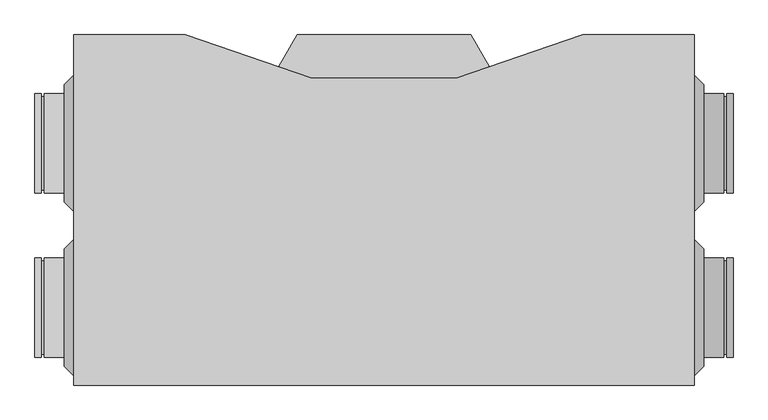
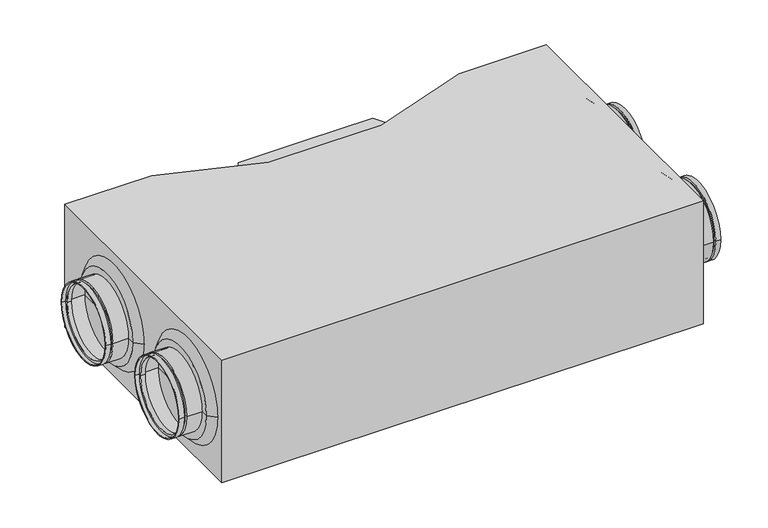
"""IFC4 building model written with IfcOpenShell, lengths in millimetres: proxy geometry."""

from ifc_helpers import new_model, si_unit, frame, origin, origin_with_axes, place, context, project, spatial, polyline, circle_curve, outline, extrude, source, transform, mapped, element, save
from ifc_brep_helpers import plane_surface, cylinder_surface, revolved_surface, advanced_brep


def mechanical_equipment_ce248c19(model_context):
    return source(origin(), model_context, "Body", "SolidModel", [
        advanced_brep(
        [(-552.5, -77.5, 135.0), (-552.5, -237.5, 135.0), (-562.5, -237.5, 135.0), (-562.5, -77.5, 135.0), (-552.5, -82.5, 135.0), (-552.5, -232.5, 135.0), (-547.5, -82.5, 135.0), (-547.5, -232.5, 135.0), (-547.5, -77.5, 135.0), (-547.5, -237.5, 135.0), (-515.0, -77.5, 135.0), (-515.0, -237.5, 135.0), (-515.0, -79.5, 135.0), (-515.0, -235.5, 135.0), (-545.5, -79.5, 135.0), (-545.5, -235.5, 135.0), (-545.5, -84.5, 135.0), (-545.5, -230.5, 135.0), (-554.5, -84.5, 135.0), (-554.5, -230.5, 135.0), (-554.5, -79.5, 135.0), (-554.5, -235.5, 135.0), (-562.5, -79.5, 135.0), (-562.5, -235.5, 135.0)],
        [
            (0, 1, circle_curve(frame((-552.5, -157.5, 135.0), z_axis=(-1.0, 0.0, 0.0), x_axis=(0.0, -1.0, 0.0)), 80.0)),
            (1, 2),
            (2, 3, circle_curve(frame((-562.5, -157.5, 135.0), z_axis=(1.0, 0.0, 0.0), x_axis=(0.0, -1.0, 0.0)), 80.0)),
            (3, 0),
            (1, 0, circle_curve(frame((-552.5, -157.5, 135.0), z_axis=(-1.0, 0.0, 0.0), x_axis=(0.0, -1.0, 0.0)), 80.0)),
            (3, 2, circle_curve(frame((-562.5, -157.5, 135.0), z_axis=(1.0, 0.0, 0.0), x_axis=(0.0, -1.0, 0.0)), 80.0)),
            (4, 5, circle_curve(frame((-552.5, -157.5, 135.0), z_axis=(-1.0, 0.0, 0.0), x_axis=(0.0, -1.0, 0.0)), 75.0)),
            (5, 1),
            (0, 4),
            (5, 4, circle_curve(frame((-552.5, -157.5, 135.0), z_axis=(-1.0, 0.0, 0.0), x_axis=(0.0, -1.0, 0.0)), 75.0)),
            (6, 7, circle_curve(frame((-547.5, -157.5, 135.0), z_axis=(-1.0, 0.0, 0.0), x_axis=(0.0, -1.0, 0.0)), 75.0)),
            (7, 5),
            (4, 6),
            (7, 6, circle_curve(frame((-547.5, -157.5, 135.0), z_axis=(-1.0, 0.0, 0.0), x_axis=(0.0, -1.0, 0.0)), 75.0)),
            (8, 9, circle_curve(frame((-547.5, -157.5, 135.0), z_axis=(-1.0, 0.0, 0.0), x_axis=(0.0, -1.0, 0.0)), 80.0)),
            (9, 7),
            (6, 8),
            (9, 8, circle_curve(frame((-547.5, -157.5, 135.0), z_axis=(-1.0, 0.0, 0.0), x_axis=(0.0, -1.0, 0.0)), 80.0)),
            (10, 11, circle_curve(frame((-515.0, -157.5, 135.0), z_axis=(-1.0, 0.0, 0.0), x_axis=(0.0, -1.0, 0.0)), 80.0)),
            (11, 9),
            (8, 10),
            (11, 10, circle_curve(frame((-515.0, -157.5, 135.0), z_axis=(-1.0, 0.0, 0.0), x_axis=(0.0, -1.0, 0.0)), 80.0)),
            (12, 13, circle_curve(frame((-515.0, -157.5, 135.0), z_axis=(-1.0, 0.0, 0.0), x_axis=(0.0, -1.0, 0.0)), 78.0)),
            (13, 11),
            (10, 12),
            (13, 12, circle_curve(frame((-515.0, -157.5, 135.0), z_axis=(-1.0, 0.0, 0.0), x_axis=(0.0, -1.0, 0.0)), 78.0)),
            (14, 15, circle_curve(frame((-545.5, -157.5, 135.0), z_axis=(-1.0, 0.0, 0.0), x_axis=(0.0, -1.0, 0.0)), 78.0)),
            (15, 13),
            (12, 14),
            (15, 14, circle_curve(frame((-545.5, -157.5, 135.0), z_axis=(-1.0, 0.0, 0.0), x_axis=(0.0, -1.0, 0.0)), 78.0)),
            (16, 17, circle_curve(frame((-545.5, -157.5, 135.0), z_axis=(-1.0, 0.0, 0.0), x_axis=(0.0, -1.0, 0.0)), 73.0)),
            (17, 15),
            (14, 16),
            (17, 16, circle_curve(frame((-545.5, -157.5, 135.0), z_axis=(-1.0, 0.0, 0.0), x_axis=(0.0, -1.0, 0.0)), 73.0)),
            (18, 19, circle_curve(frame((-554.5, -157.5, 135.0), z_axis=(-1.0, 0.0, 0.0), x_axis=(0.0, -1.0, 0.0)), 73.0)),
            (19, 17),
            (16, 18),
            (19, 18, circle_curve(frame((-554.5, -157.5, 135.0), z_axis=(-1.0, 0.0, 0.0), x_axis=(0.0, -1.0, 0.0)), 73.0)),
            (20, 21, circle_curve(frame((-554.5, -157.5, 135.0), z_axis=(-1.0, 0.0, 0.0), x_axis=(0.0, -1.0, 0.0)), 78.0)),
            (21, 19),
            (18, 20),
            (21, 20, circle_curve(frame((-554.5, -157.5, 135.0), z_axis=(-1.0, 0.0, 0.0), x_axis=(0.0, -1.0, 0.0)), 78.0)),
            (22, 23, circle_curve(frame((-562.5, -157.5, 135.0), z_axis=(-1.0, 0.0, 0.0), x_axis=(0.0, -1.0, 0.0)), 78.0)),
            (23, 21),
            (20, 22),
            (23, 22, circle_curve(frame((-562.5, -157.5, 135.0), z_axis=(-1.0, 0.0, 0.0), x_axis=(0.0, -1.0, 0.0)), 78.0)),
            (2, 23),
            (22, 3),
        ],
        [
            cylinder_surface(frame((-2097.5440172, -157.5, 135.0), z_axis=(1.0, 0.0, 0.0), x_axis=(0.0, -1.0, 0.0)), 80.0),
            plane_surface(frame((-552.5, -157.5, 135.0), z_axis=(1.0, 0.0, 0.0), x_axis=(0.0, -1.0, 0.0))),
            cylinder_surface(frame((-2097.5440172, -157.5, 135.0), z_axis=(1.0, 0.0, 0.0), x_axis=(0.0, -1.0, 0.0)), 75.0),
            plane_surface(frame((-547.5, -157.5, 135.0), z_axis=(-1.0, 0.0, 0.0), x_axis=(0.0, -1.0, 0.0))),
            plane_surface(frame((-515.0, -157.5, 135.0), z_axis=(1.0, 0.0, 0.0), x_axis=(0.0, -1.0, 0.0))),
            revolved_surface(polyline([(-515.0, -235.5, 135.0), (-545.5, -235.5, 135.0)]), (-2097.5440172, -157.5, 135.0), (1.0, 0.0, 0.0)),
            plane_surface(frame((-545.5, -157.5, 135.0), z_axis=(1.0, 0.0, 0.0), x_axis=(0.0, -1.0, 0.0))),
            revolved_surface(polyline([(-545.5, -230.5, 135.0), (-554.5, -230.5, 135.0)]), (-2097.5440172, -157.5, 135.0), (1.0, 0.0, 0.0)),
            plane_surface(frame((-554.5, -157.5, 135.0), z_axis=(-1.0, 0.0, 0.0), x_axis=(0.0, -1.0, 0.0))),
            revolved_surface(polyline([(-554.5, -235.5, 135.0), (-562.5, -235.5, 135.0)]), (-2097.5440172, -157.5, 135.0), (1.0, 0.0, 0.0)),
            plane_surface(frame((-562.5, -157.5, 135.0), z_axis=(-1.0, 0.0, 0.0), x_axis=(0.0, -1.0, 0.0))),
        ],
        [
            (0, [[1, 2, 3, 4]]),
            (0, [[5, -4, 6, -2]]),
            (1, [[7, 8, -1, 9]]),
            (1, [[10, -9, -5, -8]]),
            (2, [[11, 12, -7, 13]]),
            (2, [[14, -13, -10, -12]]),
            (3, [[15, 16, -11, 17]]),
            (3, [[18, -17, -14, -16]]),
            (0, [[19, 20, -15, 21]]),
            (0, [[22, -21, -18, -20]]),
            (4, [[23, 24, -19, 25]]),
            (4, [[26, -25, -22, -24]]),
            (5, [[27, 28, -23, 29]]),
            (5, [[30, -29, -26, -28]]),
            (6, [[31, 32, -27, 33]]),
            (6, [[34, -33, -30, -32]]),
            (7, [[35, 36, -31, 37]]),
            (7, [[38, -37, -34, -36]]),
            (8, [[39, 40, -35, 41]]),
            (8, [[42, -41, -38, -40]]),
            (9, [[43, 44, -39, 45]]),
            (9, [[46, -45, -42, -44]]),
            (10, [[-3, 47, -43, 48]]),
            (10, [[-6, -48, -46, -47]]),
        ],
    ),
        advanced_brep(
        [(-552.5, 187.5, 135.0), (-552.5, 27.5, 135.0), (-562.5, 27.5, 135.0), (-562.5, 187.5, 135.0), (-552.5, 182.5, 135.0), (-552.5, 32.5, 135.0), (-547.5, 182.5, 135.0), (-547.5, 32.5, 135.0), (-547.5, 187.5, 135.0), (-547.5, 27.5, 135.0), (-515.0, 187.5, 135.0), (-515.0, 27.5, 135.0), (-515.0, 185.5, 135.0), (-515.0, 29.5, 135.0), (-545.5, 185.5, 135.0), (-545.5, 29.5, 135.0), (-545.5, 180.5, 135.0), (-545.5, 34.5, 135.0), (-554.5, 180.5, 135.0), (-554.5, 34.5, 135.0), (-554.5, 185.5, 135.0), (-554.5, 29.5, 135.0), (-562.5, 185.5, 135.0), (-562.5, 29.5, 135.0)],
        [
            (0, 1, circle_curve(frame((-552.5, 107.5, 135.0), z_axis=(-1.0, 0.0, 0.0), x_axis=(0.0, -1.0000000000000009, 0.0)), 80.0)),
            (1, 2),
            (2, 3, circle_curve(frame((-562.5, 107.5, 135.0), z_axis=(1.0, 0.0, 0.0), x_axis=(0.0, -1.0000000000000009, 0.0)), 80.0)),
            (3, 0),
            (1, 0, circle_curve(frame((-552.5, 107.5, 135.0), z_axis=(-1.0, 0.0, 0.0), x_axis=(0.0, -1.0000000000000009, 0.0)), 80.0)),
            (3, 2, circle_curve(frame((-562.5, 107.5, 135.0), z_axis=(1.0, 0.0, 0.0), x_axis=(0.0, -1.0000000000000009, 0.0)), 80.0)),
            (4, 5, circle_curve(frame((-552.5, 107.5, 135.0), z_axis=(-1.0, 0.0, 0.0), x_axis=(0.0, -1.0000000000000009, 0.0)), 75.0)),
            (5, 1),
            (0, 4),
            (5, 4, circle_curve(frame((-552.5, 107.5, 135.0), z_axis=(-1.0, 0.0, 0.0), x_axis=(0.0, -1.0000000000000009, 0.0)), 75.0)),
            (6, 7, circle_curve(frame((-547.5, 107.5, 135.0), z_axis=(-1.0, 0.0, 0.0), x_axis=(0.0, -1.0000000000000009, 0.0)), 75.0)),
            (7, 5),
            (4, 6),
            (7, 6, circle_curve(frame((-547.5, 107.5, 135.0), z_axis=(-1.0, 0.0, 0.0), x_axis=(0.0, -1.0000000000000009, 0.0)), 75.0)),
            (8, 9, circle_curve(frame((-547.5, 107.5, 135.0), z_axis=(-1.0, 0.0, 0.0), x_axis=(0.0, -1.0000000000000009, 0.0)), 80.0)),
            (9, 7),
            (6, 8),
            (9, 8, circle_curve(frame((-547.5, 107.5, 135.0), z_axis=(-1.0, 0.0, 0.0), x_axis=(0.0, -1.0000000000000009, 0.0)), 80.0)),
            (10, 11, circle_curve(frame((-515.0, 107.5, 135.0), z_axis=(-1.0, 0.0, 0.0), x_axis=(0.0, -1.0000000000000009, 0.0)), 80.0)),
            (11, 9),
            (8, 10),
            (11, 10, circle_curve(frame((-515.0, 107.5, 135.0), z_axis=(-1.0, 0.0, 0.0), x_axis=(0.0, -1.0000000000000009, 0.0)), 80.0)),
            (12, 13, circle_curve(frame((-515.0, 107.5, 135.0), z_axis=(-1.0, 0.0, 0.0), x_axis=(0.0, -1.0000000000000009, 0.0)), 78.0)),
            (13, 11),
            (10, 12),
            (13, 12, circle_curve(frame((-515.0, 107.5, 135.0), z_axis=(-1.0, 0.0, 0.0), x_axis=(0.0, -1.0000000000000009, 0.0)), 78.0)),
            (14, 15, circle_curve(frame((-545.5, 107.5, 135.0), z_axis=(-1.0, 0.0, 0.0), x_axis=(0.0, -1.0000000000000009, 0.0)), 78.0)),
            (15, 13),
            (12, 14),
            (15, 14, circle_curve(frame((-545.5, 107.5, 135.0), z_axis=(-1.0, 0.0, 0.0), x_axis=(0.0, -1.0000000000000009, 0.0)), 78.0)),
            (16, 17, circle_curve(frame((-545.5, 107.5, 135.0), z_axis=(-1.0, 0.0, 0.0), x_axis=(0.0, -1.0000000000000009, 0.0)), 73.0)),
            (17, 15),
            (14, 16),
            (17, 16, circle_curve(frame((-545.5, 107.5, 135.0), z_axis=(-1.0, 0.0, 0.0), x_axis=(0.0, -1.0000000000000009, 0.0)), 73.0)),
            (18, 19, circle_curve(frame((-554.5, 107.5, 135.0), z_axis=(-1.0, 0.0, 0.0), x_axis=(0.0, -1.0000000000000009, 0.0)), 73.0)),
            (19, 17),
            (16, 18),
            (19, 18, circle_curve(frame((-554.5, 107.5, 135.0), z_axis=(-1.0, 0.0, 0.0), x_axis=(0.0, -1.0000000000000009, 0.0)), 73.0)),
            (20, 21, circle_curve(frame((-554.5, 107.5, 135.0), z_axis=(-1.0, 0.0, 0.0), x_axis=(0.0, -1.0000000000000009, 0.0)), 78.0)),
            (21, 19),
            (18, 20),
            (21, 20, circle_curve(frame((-554.5, 107.5, 135.0), z_axis=(-1.0, 0.0, 0.0), x_axis=(0.0, -1.0000000000000009, 0.0)), 78.0)),
            (22, 23, circle_curve(frame((-562.5, 107.5, 135.0), z_axis=(-1.0, 0.0, 0.0), x_axis=(0.0, -1.0000000000000009, 0.0)), 78.0)),
            (23, 21),
            (20, 22),
            (23, 22, circle_curve(frame((-562.5, 107.5, 135.0), z_axis=(-1.0, 0.0, 0.0), x_axis=(0.0, -1.0000000000000009, 0.0)), 78.0)),
            (2, 23),
            (22, 3),
        ],
        [
            cylinder_surface(frame((-2097.5440172, 107.5, 135.0), z_axis=(1.0000000000000004, 0.0, 0.0), x_axis=(0.0, -1.0000000000000009, 0.0)), 80.0),
            plane_surface(frame((-552.5, 107.5, 135.0), z_axis=(1.0, 0.0, 0.0), x_axis=(0.0, -1.0, 0.0))),
            cylinder_surface(frame((-2097.5440172, 107.5, 135.0), z_axis=(1.0000000000000004, 0.0, 0.0), x_axis=(0.0, -1.0000000000000009, 0.0)), 75.0),
            plane_surface(frame((-547.5, 107.5, 135.0), z_axis=(-1.0, 0.0, 0.0), x_axis=(0.0, -1.0, 0.0))),
            plane_surface(frame((-515.0, 107.5, 135.0), z_axis=(1.0, 0.0, 0.0), x_axis=(0.0, -1.0, 0.0))),
            revolved_surface(polyline([(-514.9999999999986, 29.49999999999993, 135.0), (-545.4999999999986, 29.49999999999993, 135.0)]), (-2097.5440172, 107.5, 135.0), (1.0000000000000004, 0.0, 0.0)),
            plane_surface(frame((-545.5, 107.5, 135.0), z_axis=(1.0, 0.0, 0.0), x_axis=(0.0, -1.0, 0.0))),
            revolved_surface(polyline([(-545.4999999999986, 34.49999999999993, 135.0), (-554.4999999999986, 34.49999999999993, 135.0)]), (-2097.5440172, 107.5, 135.0), (1.0000000000000004, 0.0, 0.0)),
            plane_surface(frame((-554.5, 107.5, 135.0), z_axis=(-1.0, 0.0, 0.0), x_axis=(0.0, -1.0, 0.0))),
            revolved_surface(polyline([(-554.4999999999986, 29.49999999999993, 135.0), (-562.4999999999986, 29.49999999999993, 135.0)]), (-2097.5440172, 107.5, 135.0), (1.0000000000000004, 0.0, 0.0)),
            plane_surface(frame((-562.5, 107.5, 135.0), z_axis=(-1.0, 0.0, 0.0), x_axis=(0.0, -1.0, 0.0))),
        ],
        [
            (0, [[1, 2, 3, 4]]),
            (0, [[5, -4, 6, -2]]),
            (1, [[7, 8, -1, 9]]),
            (1, [[10, -9, -5, -8]]),
            (2, [[11, 12, -7, 13]]),
            (2, [[14, -13, -10, -12]]),
            (3, [[15, 16, -11, 17]]),
            (3, [[18, -17, -14, -16]]),
            (0, [[19, 20, -15, 21]]),
            (0, [[22, -21, -18, -20]]),
            (4, [[23, 24, -19, 25]]),
            (4, [[26, -25, -22, -24]]),
            (5, [[27, 28, -23, 29]]),
            (5, [[30, -29, -26, -28]]),
            (6, [[31, 32, -27, 33]]),
            (6, [[34, -33, -30, -32]]),
            (7, [[35, 36, -31, 37]]),
            (7, [[38, -37, -34, -36]]),
            (8, [[39, 40, -35, 41]]),
            (8, [[42, -41, -38, -40]]),
            (9, [[43, 44, -39, 45]]),
            (9, [[46, -45, -42, -44]]),
            (10, [[-3, 47, -43, 48]]),
            (10, [[-6, -48, -46, -47]]),
        ],
    ),
        advanced_brep(
        [(552.5, 27.5, 135.0), (552.5, 187.5, 135.0), (562.5, 187.5, 135.0), (562.5, 27.5, 135.0), (552.5, 32.5, 135.0), (552.5, 182.5, 135.0), (547.5, 32.5, 135.0), (547.5, 182.5, 135.0), (547.5, 27.5, 135.0), (547.5, 187.5, 135.0), (515.0, 27.5, 135.0), (515.0, 187.5, 135.0), (515.0, 29.5, 135.0), (515.0, 185.5, 135.0), (545.5, 29.5, 135.0), (545.5, 185.5, 135.0), (545.5, 34.5, 135.0), (545.5, 180.5, 135.0), (554.5, 34.5, 135.0), (554.5, 180.5, 135.0), (554.5, 29.5, 135.0), (554.5, 185.5, 135.0), (562.5, 29.5, 135.0), (562.5, 185.5, 135.0)],
        [
            (0, 1, circle_curve(frame((552.5, 107.5, 135.0), z_axis=(1.0, 0.0, 0.0), x_axis=(0.0, 1.0, 0.0)), 80.0)),
            (1, 2),
            (2, 3, circle_curve(frame((562.5, 107.5, 135.0), z_axis=(-1.0, 0.0, 0.0), x_axis=(0.0, 1.0, 0.0)), 80.0)),
            (3, 0),
            (1, 0, circle_curve(frame((552.5, 107.5, 135.0), z_axis=(1.0, 0.0, 0.0), x_axis=(0.0, 1.0, 0.0)), 80.0)),
            (3, 2, circle_curve(frame((562.5, 107.5, 135.0), z_axis=(-1.0, 0.0, 0.0), x_axis=(0.0, 1.0, 0.0)), 80.0)),
            (4, 5, circle_curve(frame((552.5, 107.5, 135.0), z_axis=(1.0, 0.0, 0.0), x_axis=(0.0, 1.0, 0.0)), 75.0)),
            (5, 1),
            (0, 4),
            (5, 4, circle_curve(frame((552.5, 107.5, 135.0), z_axis=(1.0, 0.0, 0.0), x_axis=(0.0, 1.0, 0.0)), 75.0)),
            (6, 7, circle_curve(frame((547.5, 107.5, 135.0), z_axis=(1.0, 0.0, 0.0), x_axis=(0.0, 1.0, 0.0)), 75.0)),
            (7, 5),
            (4, 6),
            (7, 6, circle_curve(frame((547.5, 107.5, 135.0), z_axis=(1.0, 0.0, 0.0), x_axis=(0.0, 1.0, 0.0)), 75.0)),
            (8, 9, circle_curve(frame((547.5, 107.5, 135.0), z_axis=(1.0, 0.0, 0.0), x_axis=(0.0, 1.0, 0.0)), 80.0)),
            (9, 7),
            (6, 8),
            (9, 8, circle_curve(frame((547.5, 107.5, 135.0), z_axis=(1.0, 0.0, 0.0), x_axis=(0.0, 1.0, 0.0)), 80.0)),
            (10, 11, circle_curve(frame((515.0, 107.5, 135.0), z_axis=(1.0, 0.0, 0.0), x_axis=(0.0, 1.0, 0.0)), 80.0)),
            (11, 9),
            (8, 10),
            (11, 10, circle_curve(frame((515.0, 107.5, 135.0), z_axis=(1.0, 0.0, 0.0), x_axis=(0.0, 1.0, 0.0)), 80.0)),
            (12, 13, circle_curve(frame((515.0, 107.5, 135.0), z_axis=(1.0, 0.0, 0.0), x_axis=(0.0, 1.0, 0.0)), 78.0)),
            (13, 11),
            (10, 12),
            (13, 12, circle_curve(frame((515.0, 107.5, 135.0), z_axis=(1.0, 0.0, 0.0), x_axis=(0.0, 1.0, 0.0)), 78.0)),
            (14, 15, circle_curve(frame((545.5, 107.5, 135.0), z_axis=(1.0, 0.0, 0.0), x_axis=(0.0, 1.0, 0.0)), 78.0)),
            (15, 13),
            (12, 14),
            (15, 14, circle_curve(frame((545.5, 107.5, 135.0), z_axis=(1.0, 0.0, 0.0), x_axis=(0.0, 1.0, 0.0)), 78.0)),
            (16, 17, circle_curve(frame((545.5, 107.5, 135.0), z_axis=(1.0, 0.0, 0.0), x_axis=(0.0, 1.0, 0.0)), 73.0)),
            (17, 15),
            (14, 16),
            (17, 16, circle_curve(frame((545.5, 107.5, 135.0), z_axis=(1.0, 0.0, 0.0), x_axis=(0.0, 1.0, 0.0)), 73.0)),
            (18, 19, circle_curve(frame((554.5, 107.5, 135.0), z_axis=(1.0, 0.0, 0.0), x_axis=(0.0, 1.0, 0.0)), 73.0)),
            (19, 17),
            (16, 18),
            (19, 18, circle_curve(frame((554.5, 107.5, 135.0), z_axis=(1.0, 0.0, 0.0), x_axis=(0.0, 1.0, 0.0)), 73.0)),
            (20, 21, circle_curve(frame((554.5, 107.5, 135.0), z_axis=(1.0, 0.0, 0.0), x_axis=(0.0, 1.0, 0.0)), 78.0)),
            (21, 19),
            (18, 20),
            (21, 20, circle_curve(frame((554.5, 107.5, 135.0), z_axis=(1.0, 0.0, 0.0), x_axis=(0.0, 1.0, 0.0)), 78.0)),
            (22, 23, circle_curve(frame((562.5, 107.5, 135.0), z_axis=(1.0, 0.0, 0.0), x_axis=(0.0, 1.0, 0.0)), 78.0)),
            (23, 21),
            (20, 22),
            (23, 22, circle_curve(frame((562.5, 107.5, 135.0), z_axis=(1.0, 0.0, 0.0), x_axis=(0.0, 1.0, 0.0)), 78.0)),
            (2, 23),
            (22, 3),
        ],
        [
            cylinder_surface(frame((2097.5440172, 107.5, 135.0), z_axis=(-1.0, 0.0, 0.0), x_axis=(0.0, 1.0, 0.0)), 80.0),
            plane_surface(frame((552.5, 107.5, 135.0), z_axis=(-1.0, 0.0, 0.0), x_axis=(0.0, 1.0, 0.0))),
            cylinder_surface(frame((2097.5440172, 107.5, 135.0), z_axis=(-1.0, 0.0, 0.0), x_axis=(0.0, 1.0, 0.0)), 75.0),
            plane_surface(frame((547.5, 107.5, 135.0), z_axis=(1.0, 0.0, 0.0), x_axis=(0.0, 1.0, 0.0))),
            plane_surface(frame((515.0, 107.5, 135.0), z_axis=(-1.0, 0.0, 0.0), x_axis=(0.0, 1.0, 0.0))),
            revolved_surface(polyline([(515.0, 185.5, 135.0), (545.5, 185.5, 135.0)]), (2097.5440172, 107.5, 135.0), (-1.0, 0.0, 0.0)),
            plane_surface(frame((545.5, 107.5, 135.0), z_axis=(-1.0, 0.0, 0.0), x_axis=(0.0, 1.0, 0.0))),
            revolved_surface(polyline([(545.5, 180.5, 135.0), (554.5, 180.5, 135.0)]), (2097.5440172, 107.5, 135.0), (-1.0, 0.0, 0.0)),
            plane_surface(frame((554.5, 107.5, 135.0), z_axis=(1.0, 0.0, 0.0), x_axis=(0.0, 1.0, 0.0))),
            revolved_surface(polyline([(554.5, 185.5, 135.0), (562.5, 185.5, 135.0)]), (2097.5440172, 107.5, 135.0), (-1.0, 0.0, 0.0)),
            plane_surface(frame((562.5, 107.5, 135.0), z_axis=(1.0, 0.0, 0.0), x_axis=(0.0, 1.0, 0.0))),
        ],
        [
            (0, [[1, 2, 3, 4]]),
            (0, [[5, -4, 6, -2]]),
            (1, [[7, 8, -1, 9]]),
            (1, [[10, -9, -5, -8]]),
            (2, [[11, 12, -7, 13]]),
            (2, [[14, -13, -10, -12]]),
            (3, [[15, 16, -11, 17]]),
            (3, [[18, -17, -14, -16]]),
            (0, [[19, 20, -15, 21]]),
            (0, [[22, -21, -18, -20]]),
            (4, [[23, 24, -19, 25]]),
            (4, [[26, -25, -22, -24]]),
            (5, [[27, 28, -23, 29]]),
            (5, [[30, -29, -26, -28]]),
            (6, [[31, 32, -27, 33]]),
            (6, [[34, -33, -30, -32]]),
            (7, [[35, 36, -31, 37]]),
            (7, [[38, -37, -34, -36]]),
            (8, [[39, 40, -35, 41]]),
            (8, [[42, -41, -38, -40]]),
            (9, [[43, 44, -39, 45]]),
            (9, [[46, -45, -42, -44]]),
            (10, [[-3, 47, -43, 48]]),
            (10, [[-6, -48, -46, -47]]),
        ],
    ),
        advanced_brep(
        [(552.5, -237.5, 135.0), (552.5, -77.5, 135.0), (562.5, -77.5, 135.0), (562.5, -237.5, 135.0), (552.5, -232.5, 135.0), (552.5, -82.5, 135.0), (547.5, -232.5, 135.0), (547.5, -82.5, 135.0), (547.5, -237.5, 135.0), (547.5, -77.5, 135.0), (515.0, -237.5, 135.0), (515.0, -77.5, 135.0), (515.0, -235.5, 135.0), (515.0, -79.5, 135.0), (545.5, -235.5, 135.0), (545.5, -79.5, 135.0), (545.5, -230.5, 135.0), (545.5, -84.5, 135.0), (554.5, -230.5, 135.0), (554.5, -84.5, 135.0), (554.5, -235.5, 135.0), (554.5, -79.5, 135.0), (562.5, -235.5, 135.0), (562.5, -79.5, 135.0)],
        [
            (0, 1, circle_curve(frame((552.5, -157.5, 135.0), z_axis=(1.0, 0.0, 0.0), x_axis=(0.0, 1.0, 0.0)), 80.0)),
            (1, 2),
            (2, 3, circle_curve(frame((562.5, -157.5, 135.0), z_axis=(-1.0, 0.0, 0.0), x_axis=(0.0, 1.0, 0.0)), 80.0)),
            (3, 0),
            (1, 0, circle_curve(frame((552.5, -157.5, 135.0), z_axis=(1.0, 0.0, 0.0), x_axis=(0.0, 1.0, 0.0)), 80.0)),
            (3, 2, circle_curve(frame((562.5, -157.5, 135.0), z_axis=(-1.0, 0.0, 0.0), x_axis=(0.0, 1.0, 0.0)), 80.0)),
            (4, 5, circle_curve(frame((552.5, -157.5, 135.0), z_axis=(1.0, 0.0, 0.0), x_axis=(0.0, 1.0, 0.0)), 75.0)),
            (5, 1),
            (0, 4),
            (5, 4, circle_curve(frame((552.5, -157.5, 135.0), z_axis=(1.0, 0.0, 0.0), x_axis=(0.0, 1.0, 0.0)), 75.0)),
            (6, 7, circle_curve(frame((547.5, -157.5, 135.0), z_axis=(1.0, 0.0, 0.0), x_axis=(0.0, 1.0, 0.0)), 75.0)),
            (7, 5),
            (4, 6),
            (7, 6, circle_curve(frame((547.5, -157.5, 135.0), z_axis=(1.0, 0.0, 0.0), x_axis=(0.0, 1.0, 0.0)), 75.0)),
            (8, 9, circle_curve(frame((547.5, -157.5, 135.0), z_axis=(1.0, 0.0, 0.0), x_axis=(0.0, 1.0, 0.0)), 80.0)),
            (9, 7),
            (6, 8),
            (9, 8, circle_curve(frame((547.5, -157.5, 135.0), z_axis=(1.0, 0.0, 0.0), x_axis=(0.0, 1.0, 0.0)), 80.0)),
            (10, 11, circle_curve(frame((515.0, -157.5, 135.0), z_axis=(1.0, 0.0, 0.0), x_axis=(0.0, 1.0, 0.0)), 80.0)),
            (11, 9),
            (8, 10),
            (11, 10, circle_curve(frame((515.0, -157.5, 135.0), z_axis=(1.0, 0.0, 0.0), x_axis=(0.0, 1.0, 0.0)), 80.0)),
            (12, 13, circle_curve(frame((515.0, -157.5, 135.0), z_axis=(1.0, 0.0, 0.0), x_axis=(0.0, 1.0, 0.0)), 78.0)),
            (13, 11),
            (10, 12),
            (13, 12, circle_curve(frame((515.0, -157.5, 135.0), z_axis=(1.0, 0.0, 0.0), x_axis=(0.0, 1.0, 0.0)), 78.0)),
            (14, 15, circle_curve(frame((545.5, -157.5, 135.0), z_axis=(1.0, 0.0, 0.0), x_axis=(0.0, 1.0, 0.0)), 78.0)),
            (15, 13),
            (12, 14),
            (15, 14, circle_curve(frame((545.5, -157.5, 135.0), z_axis=(1.0, 0.0, 0.0), x_axis=(0.0, 1.0, 0.0)), 78.0)),
            (16, 17, circle_curve(frame((545.5, -157.5, 135.0), z_axis=(1.0, 0.0, 0.0), x_axis=(0.0, 1.0, 0.0)), 73.0)),
            (17, 15),
            (14, 16),
            (17, 16, circle_curve(frame((545.5, -157.5, 135.0), z_axis=(1.0, 0.0, 0.0), x_axis=(0.0, 1.0, 0.0)), 73.0)),
            (18, 19, circle_curve(frame((554.5, -157.5, 135.0), z_axis=(1.0, 0.0, 0.0), x_axis=(0.0, 1.0, 0.0)), 73.0)),
            (19, 17),
            (16, 18),
            (19, 18, circle_curve(frame((554.5, -157.5, 135.0), z_axis=(1.0, 0.0, 0.0), x_axis=(0.0, 1.0, 0.0)), 73.0)),
            (20, 21, circle_curve(frame((554.5, -157.5, 135.0), z_axis=(1.0, 0.0, 0.0), x_axis=(0.0, 1.0, 0.0)), 78.0)),
            (21, 19),
            (18, 20),
            (21, 20, circle_curve(frame((554.5, -157.5, 135.0), z_axis=(1.0, 0.0, 0.0), x_axis=(0.0, 1.0, 0.0)), 78.0)),
            (22, 23, circle_curve(frame((562.5, -157.5, 135.0), z_axis=(1.0, 0.0, 0.0), x_axis=(0.0, 1.0, 0.0)), 78.0)),
            (23, 21),
            (20, 22),
            (23, 22, circle_curve(frame((562.5, -157.5, 135.0), z_axis=(1.0, 0.0, 0.0), x_axis=(0.0, 1.0, 0.0)), 78.0)),
            (2, 23),
            (22, 3),
        ],
        [
            cylinder_surface(frame((2097.5440172, -157.5, 135.0), z_axis=(-1.0, 0.0, 0.0), x_axis=(0.0, 1.0, 0.0)), 80.0),
            plane_surface(frame((552.5, -157.5, 135.0), z_axis=(-1.0, 0.0, 0.0), x_axis=(0.0, 1.0, 0.0))),
            cylinder_surface(frame((2097.5440172, -157.5, 135.0), z_axis=(-1.0, 0.0, 0.0), x_axis=(0.0, 1.0, 0.0)), 75.0),
            plane_surface(frame((547.5, -157.5, 135.0), z_axis=(1.0, 0.0, 0.0), x_axis=(0.0, 1.0, 0.0))),
            plane_surface(frame((515.0, -157.5, 135.0), z_axis=(-1.0, 0.0, 0.0), x_axis=(0.0, 1.0, 0.0))),
            revolved_surface(polyline([(515.0, -79.5, 135.0), (545.5, -79.5, 135.0)]), (2097.5440172, -157.5, 135.0), (-1.0, 0.0, 0.0)),
            plane_surface(frame((545.5, -157.5, 135.0), z_axis=(-1.0, 0.0, 0.0), x_axis=(0.0, 1.0, 0.0))),
            revolved_surface(polyline([(545.5, -84.5, 135.0), (554.5, -84.5, 135.0)]), (2097.5440172, -157.5, 135.0), (-1.0, 0.0, 0.0)),
            plane_surface(frame((554.5, -157.5, 135.0), z_axis=(1.0, 0.0, 0.0), x_axis=(0.0, 1.0, 0.0))),
            revolved_surface(polyline([(554.5, -79.5, 135.0), (562.5, -79.5, 135.0)]), (2097.5440172, -157.5, 135.0), (-1.0, 0.0, 0.0)),
            plane_surface(frame((562.5, -157.5, 135.0), z_axis=(1.0, 0.0, 0.0), x_axis=(0.0, 1.0, 0.0))),
        ],
        [
            (0, [[1, 2, 3, 4]]),
            (0, [[5, -4, 6, -2]]),
            (1, [[7, 8, -1, 9]]),
            (1, [[10, -9, -5, -8]]),
            (2, [[11, 12, -7, 13]]),
            (2, [[14, -13, -10, -12]]),
            (3, [[15, 16, -11, 17]]),
            (3, [[18, -17, -14, -16]]),
            (0, [[19, 20, -15, 21]]),
            (0, [[22, -21, -18, -20]]),
            (4, [[23, 24, -19, 25]]),
            (4, [[26, -25, -22, -24]]),
            (5, [[27, 28, -23, 29]]),
            (5, [[30, -29, -26, -28]]),
            (6, [[31, 32, -27, 33]]),
            (6, [[34, -33, -30, -32]]),
            (7, [[35, 36, -31, 37]]),
            (7, [[38, -37, -34, -36]]),
            (8, [[39, 40, -35, 41]]),
            (8, [[42, -41, -38, -40]]),
            (9, [[43, 44, -39, 45]]),
            (9, [[46, -45, -42, -44]]),
            (10, [[-3, 47, -43, 48]]),
            (10, [[-6, -48, -46, -47]]),
        ],
    ),
        advanced_brep(
        [(-515.0, 107.5, 135.0), (-515.0, 202.5, 135.0), (-515.0, 12.5, 135.0), (-500.0, 217.5, 135.0), (-500.0, -2.5, 135.0), (-500.0, 107.5, 135.0)],
        [
            (0, 1),
            (1, 2, circle_curve(frame((-515.0, 107.5, 135.0), z_axis=(-1.0, 0.0, 0.0), x_axis=(0.0, 1.0, 0.0)), 95.0)),
            (2, 0),
            (2, 1, circle_curve(frame((-515.0, 107.5, 135.0), z_axis=(-1.0, 0.0, 0.0), x_axis=(0.0, 1.0, 0.0)), 95.0)),
            (1, 3),
            (3, 4, circle_curve(frame((-500.0, 107.5, 135.0), z_axis=(-1.0, 0.0, 0.0), x_axis=(0.0, 1.0, 0.0)), 110.0)),
            (4, 2),
            (4, 3, circle_curve(frame((-500.0, 107.5, 135.0), z_axis=(-1.0, 0.0, 0.0), x_axis=(0.0, 1.0, 0.0)), 110.0)),
            (3, 5),
            (5, 4),
        ],
        [
            plane_surface(frame((-515.0, 107.5, 135.0), z_axis=(-1.0, 0.0, 0.0), x_axis=(0.0, 1.0, 0.0))),
            revolved_surface(polyline([(-500.0, 217.5, 135.0), (-515.0, 202.5, 135.0)]), (-515.0, 107.5, 135.0), (-1.0, 0.0, 0.0)),
            plane_surface(frame((-500.0, 107.5, 135.0), z_axis=(1.0, 0.0, 0.0), x_axis=(0.0, 1.0, 0.0))),
        ],
        [
            (0, [[1, 2, 3]]),
            (0, [[-3, 4, -1]]),
            (1, [[-2, 5, 6, 7]]),
            (1, [[-4, -7, 8, -5]]),
            (2, [[-6, 9, 10]]),
            (2, [[-8, -10, -9]]),
        ],
    ),
        advanced_brep(
        [(515.0, 12.5, 135.0), (515.0, 202.5, 135.0), (515.0, 107.5, 135.0), (500.0, -2.5, 135.0), (500.0, 217.5, 135.0), (500.0, 107.5, 135.0)],
        [
            (0, 1, circle_curve(frame((515.0, 107.5, 135.0), z_axis=(1.0, 0.0, 0.0), x_axis=(0.0, 1.0, 0.0)), 95.0)),
            (1, 2),
            (2, 0),
            (1, 0, circle_curve(frame((515.0, 107.5, 135.0), z_axis=(1.0, 0.0, 0.0), x_axis=(0.0, 1.0, 0.0)), 95.0)),
            (3, 4, circle_curve(frame((500.0, 107.5, 135.0), z_axis=(1.0, 0.0, 0.0), x_axis=(0.0, 1.0, 0.0)), 110.0)),
            (4, 1),
            (0, 3),
            (4, 3, circle_curve(frame((500.0, 107.5, 135.0), z_axis=(1.0, 0.0, 0.0), x_axis=(0.0, 1.0, 0.0)), 110.0)),
            (5, 4),
            (3, 5),
        ],
        [
            plane_surface(frame((515.0, 107.5, 135.0), z_axis=(1.0, 0.0, 0.0), x_axis=(0.0, 1.0, 0.0))),
            revolved_surface(polyline([(515.0, 202.5, 135.0), (500.0, 217.5, 135.0)]), (515.0, 107.5, 135.0), (-1.0, 0.0, 0.0)),
            plane_surface(frame((500.0, 107.5, 135.0), z_axis=(-1.0, 0.0, 0.0), x_axis=(0.0, 1.0, 0.0))),
        ],
        [
            (0, [[1, 2, 3]]),
            (0, [[4, -3, -2]]),
            (1, [[5, 6, -1, 7]]),
            (1, [[8, -7, -4, -6]]),
            (2, [[9, -5, 10]]),
            (2, [[-10, -8, -9]]),
        ],
    ),
        advanced_brep(
        [(-515.0, -157.5, 135.0), (-515.0, -62.5, 135.0), (-515.0, -252.5, 135.0), (-500.0, -47.5, 135.0), (-500.0, -267.5, 135.0), (-500.0, -157.5, 135.0)],
        [
            (0, 1),
            (1, 2, circle_curve(frame((-515.0, -157.5, 135.0), z_axis=(-1.0, 0.0, 0.0), x_axis=(0.0, 1.0, 0.0)), 95.0)),
            (2, 0),
            (2, 1, circle_curve(frame((-515.0, -157.5, 135.0), z_axis=(-1.0, 0.0, 0.0), x_axis=(0.0, 1.0, 0.0)), 95.0)),
            (1, 3),
            (3, 4, circle_curve(frame((-500.0, -157.5, 135.0), z_axis=(-1.0, 0.0, 0.0), x_axis=(0.0, 1.0, 0.0)), 110.0)),
            (4, 2),
            (4, 3, circle_curve(frame((-500.0, -157.5, 135.0), z_axis=(-1.0, 0.0, 0.0), x_axis=(0.0, 1.0, 0.0)), 110.0)),
            (3, 5),
            (5, 4),
        ],
        [
            plane_surface(frame((-515.0, -157.5, 135.0), z_axis=(-1.0, 0.0, 0.0), x_axis=(0.0, 1.0, 0.0))),
            revolved_surface(polyline([(-500.0, -47.5, 135.0), (-515.0, -62.5, 135.0)]), (-515.0, -157.5, 135.0), (-1.0, 0.0, 0.0)),
            plane_surface(frame((-500.0, -157.5, 135.0), z_axis=(1.0, 0.0, 0.0), x_axis=(0.0, 1.0, 0.0))),
        ],
        [
            (0, [[1, 2, 3]]),
            (0, [[-3, 4, -1]]),
            (1, [[-2, 5, 6, 7]]),
            (1, [[-4, -7, 8, -5]]),
            (2, [[-6, 9, 10]]),
            (2, [[-8, -10, -9]]),
        ],
    ),
        advanced_brep(
        [(515.0, -252.5, 135.0), (515.0, -62.5, 135.0), (515.0, -157.5, 135.0), (500.0, -267.5, 135.0), (500.0, -47.5, 135.0), (500.0, -157.5, 135.0)],
        [
            (0, 1, circle_curve(frame((515.0, -157.5, 135.0), z_axis=(1.0, 0.0, 0.0), x_axis=(0.0, 1.0, 0.0)), 95.0)),
            (1, 2),
            (2, 0),
            (1, 0, circle_curve(frame((515.0, -157.5, 135.0), z_axis=(1.0, 0.0, 0.0), x_axis=(0.0, 1.0, 0.0)), 95.0)),
            (3, 4, circle_curve(frame((500.0, -157.5, 135.0), z_axis=(1.0, 0.0, 0.0), x_axis=(0.0, 1.0, 0.0)), 110.0)),
            (4, 1),
            (0, 3),
            (4, 3, circle_curve(frame((500.0, -157.5, 135.0), z_axis=(1.0, 0.0, 0.0), x_axis=(0.0, 1.0, 0.0)), 110.0)),
            (5, 4),
            (3, 5),
        ],
        [
            plane_surface(frame((515.0, -157.5, 135.0), z_axis=(1.0, 0.0, 0.0), x_axis=(0.0, 1.0, 0.0))),
            revolved_surface(polyline([(515.0, -62.5, 135.0), (500.0, -47.5, 135.0)]), (515.0, -157.5, 135.0), (-1.0, 0.0, 0.0)),
            plane_surface(frame((500.0, -157.5, 135.0), z_axis=(-1.0, 0.0, 0.0), x_axis=(0.0, 1.0, 0.0))),
        ],
        [
            (0, [[1, 2, 3]]),
            (0, [[4, -3, -2]]),
            (1, [[5, 6, -1, 7]]),
            (1, [[8, -7, -4, -6]]),
            (2, [[9, -5, 10]]),
            (2, [[-10, -8, -9]]),
        ],
    ),
        extrude(outline(polyline([(500.0, -282.5), (-500.0, -282.5), (-500.0, 282.5), (-320.0, 282.5), (-116.7135062, 212.5028468), (0.0, 212.5028468), (116.7135062, 212.5028468), (320.0, 282.5), (500.0, 282.5), (500.0, -282.5)])), origin_with_axes(), (0.0, 0.0, 1.0), 270.0),
        extrude(outline(polyline([(-140.0, 282.5), (0.0, 282.5), (140.0, 282.5), (169.8495543, 230.7990554), (116.7135062, 212.5028468), (0.0, 212.5028468), (-116.7135062, 212.5028468), (-169.8495543, 230.7990554), (-140.0, 282.5)])), frame((0.0, 0.0, 35.0), z_axis=(0.0, 0.0, 1.0), x_axis=(1.0, 0.0, 0.0)), (0.0, 0.0, 1.0), 200.0),
    ])


if __name__ == "__main__":
    model = new_model("IFC4")
    model_context = context("Model", 3, world=origin())
    ifc_project = project(units=[si_unit("LENGTHUNIT", "METRE", prefix="MILLI")], contexts=[model_context])
    site = spatial("IfcSite", under=ifc_project)
    building = spatial("IfcBuilding", under=site)
    placement = place(None, origin())
    mechanical_equipment_shape = mechanical_equipment_ce248c19(model_context)
    element("IfcBuildingElementProxy", 1, Name="Mechanical Equipment", at=placement, inside=building, context=model_context, shape_type="MappedRepresentation", body=[
        mapped(mechanical_equipment_shape, transform((0.0, 0.0, 0.0), x_axis=(1.0, 0.0, 0.0), y_axis=(0.0, 1.0, 0.0), z_axis=(0.0, 0.0, 1.0))),
    ])
    save(model, "model.ifc")
